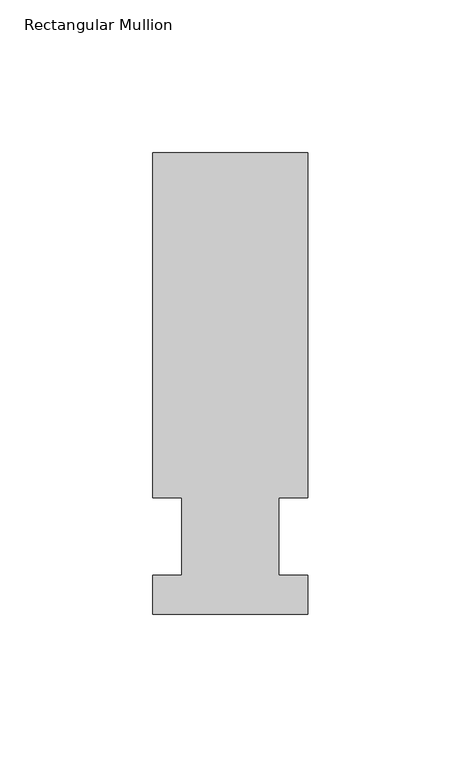
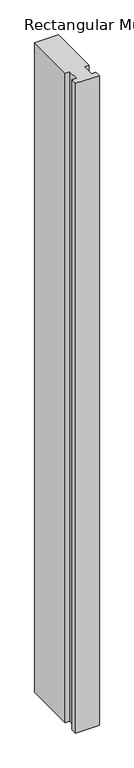
"""IFC4 building model written with IfcOpenShell, lengths in millimetres: member geometry, Rectangular Mullion."""

from ifc_helpers import new_model, si_unit, frame, origin, place, context, project, spatial, polyline, outline, extrude, source, transform, mapped, element, save


def rectangular_mullion_3b3ffca1(model_context):
    return source(origin(), model_context, "Body", "SweptSolid", [
        extrude(outline(polyline([(-25.4, -25.58415), (-25.4, -12.7), (-15.875, -12.7), (-15.875, 12.7), (-25.4, 12.7), (-25.4, 125.59665), (25.4, 125.59665), (25.4, 12.7), (15.875, 12.7), (15.875, -12.7), (25.4, -12.7), (25.4, -25.58415), (-25.4, -25.58415)])), frame((0.0, 0.0, -1466.85), z_axis=(0.0, 0.0, 1.0), x_axis=(1.0, 0.0, 0.0)), (0.0, 0.0, 1.0), 1466.85),
    ])


if __name__ == "__main__":
    model = new_model("IFC4")
    model_context = context("Model", 3, world=origin())
    ifc_project = project(units=[si_unit("LENGTHUNIT", "METRE", prefix="MILLI")], contexts=[model_context])
    site = spatial("IfcSite", under=ifc_project)
    building = spatial("IfcBuilding", under=site)
    placement = place(None, origin())
    rectangular_mullion_shape = rectangular_mullion_3b3ffca1(model_context)
    element("IfcMember", 1, ObjectType="Rectangular Mullion", at=placement, inside=building, context=model_context, shape_type="MappedRepresentation", body=[
        mapped(rectangular_mullion_shape, transform((0.0, 0.0, 0.0), x_axis=(1.0, 0.0, 0.0), y_axis=(0.0, 1.0, 0.0), z_axis=(0.0, 0.0, 1.0))),
    ])
    save(model, "model.ifc")
